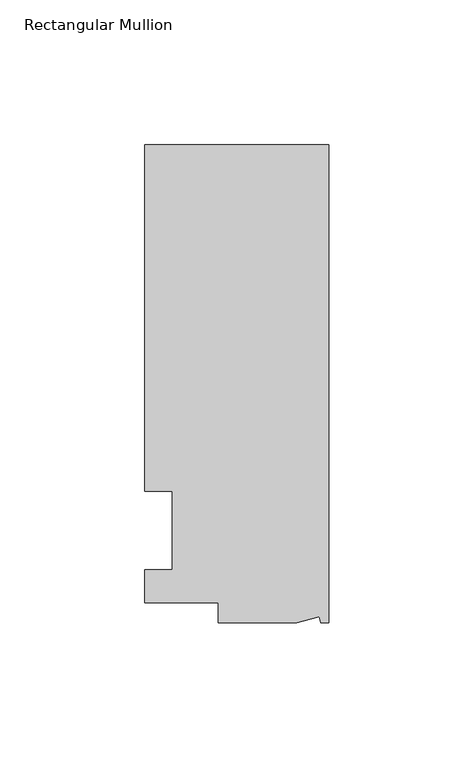
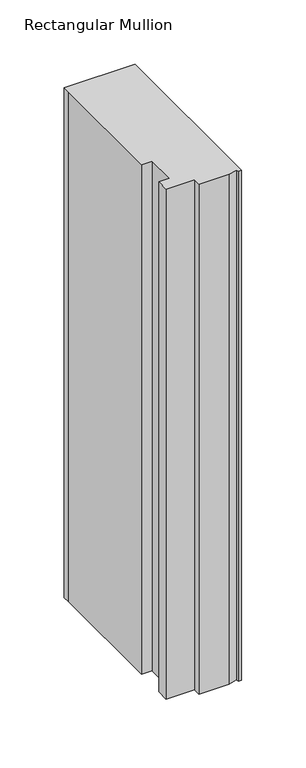
"""IFC4 building model written with IfcOpenShell, lengths in millimetres: member geometry, Rectangular Mullion."""

from ifc_helpers import new_model, si_unit, frame, origin, place, context, project, spatial, polyline, outline, extrude, source, transform, mapped, element, save


def rectangular_mullion_0a444124(model_context):
    return source(origin(), model_context, "Body", "SweptSolid", [
        extrude(outline(polyline([(0.0, 131.0674452), (0.0, -34.0325548), (-2.7630634, -34.0325548), (-3.3223696, -31.9451957), (-11.1125, -34.0325548), (-38.1, -34.0325548), (-38.1, -27.0729548), (-63.5, -27.0729548), (-63.5, -15.6924375), (-53.975, -15.6924375), (-53.975, 11.3942812), (-63.5, 11.3942812), (-63.5, 124.7174452), (-63.5, 131.0674452), (0.0, 131.0674452)])), frame((0.0, 0.0, -482.6), z_axis=(0.0, 0.0, 1.0), x_axis=(1.0, 0.0, 0.0)), (0.0, 0.0, 1.0), 482.6),
    ])


if __name__ == "__main__":
    model = new_model("IFC4")
    model_context = context("Model", 3, world=origin())
    ifc_project = project(units=[si_unit("LENGTHUNIT", "METRE", prefix="MILLI")], contexts=[model_context])
    site = spatial("IfcSite", under=ifc_project)
    building = spatial("IfcBuilding", under=site)
    placement = place(None, origin())
    rectangular_mullion_shape = rectangular_mullion_0a444124(model_context)
    element("IfcMember", 1, ObjectType="Rectangular Mullion", at=placement, inside=building, context=model_context, shape_type="MappedRepresentation", body=[
        mapped(rectangular_mullion_shape, transform((0.0, 0.0, 0.0), x_axis=(1.0, 0.0, 0.0), y_axis=(0.0, 1.0, 0.0), z_axis=(0.0, 0.0, 1.0))),
    ])
    save(model, "model.ifc")
